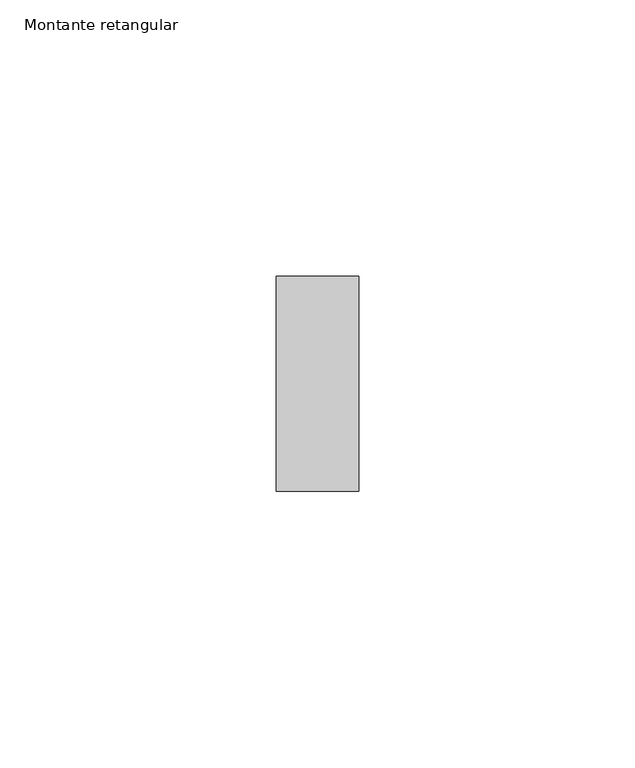
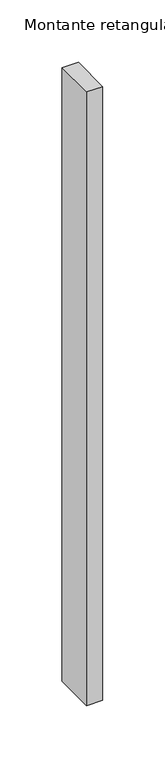
"""IFC4 building model written with IfcOpenShell, lengths in millimetres: member geometry, Montante retangular."""

from ifc_helpers import new_model, si_unit, frame, origin, place, context, project, spatial, polyline, outline, extrude, source, transform, mapped, element, save


def montante_retangular_1e9ceacc(model_context):
    return source(origin(), model_context, "Body", "SweptSolid", [
        extrude(outline(polyline([(7.5, 0.0), (7.5, -39.0), (-7.5, -39.0), (-7.5, 0.0), (7.5, 0.0)])), frame((0.0, 0.0, -600.0000003), z_axis=(0.0, 0.0, 1.0), x_axis=(1.0, 0.0, 0.0)), (0.0, 0.0, 1.0), 600.0000003),
    ])


if __name__ == "__main__":
    model = new_model("IFC4")
    model_context = context("Model", 3, world=origin())
    ifc_project = project(units=[si_unit("LENGTHUNIT", "METRE", prefix="MILLI")], contexts=[model_context])
    site = spatial("IfcSite", under=ifc_project)
    building = spatial("IfcBuilding", under=site)
    placement = place(None, origin())
    montante_retangular_shape = montante_retangular_1e9ceacc(model_context)
    element("IfcMember", 1, ObjectType="Montante retangular", at=placement, inside=building, context=model_context, shape_type="MappedRepresentation", body=[
        mapped(montante_retangular_shape, transform((0.0, 0.0, 0.0), x_axis=(1.0, 0.0, 0.0), y_axis=(0.0, 1.0, 0.0), z_axis=(0.0, 0.0, 1.0))),
    ])
    save(model, "model.ifc")
